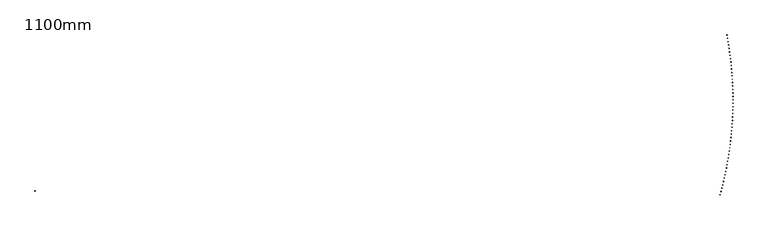
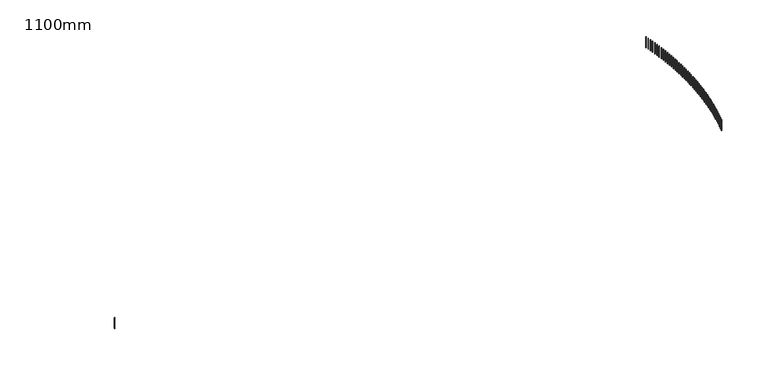
"""IFC4 building model written with IfcOpenShell, lengths in millimetres: railing geometry, 1100mm."""

from ifc_helpers import new_model, si_unit, frame, origin, place, context, project, spatial, polyline, outline, extrude, source, transform, mapped, element, save


def railing_1100mm_6d3d5943(model_context):
    return source(origin(), model_context, "Body", "SweptSolid", [
        extrude(outline(polyline([(18239.412749, -61716.1187681), (18263.5075375, -61722.785189), (18256.8411166, -61746.8799775), (18232.7463281, -61740.2135565), (18239.412749, -61716.1187681)])), frame((0.0, 0.0, 31000.0), z_axis=(0.0, 0.0, 1.0), x_axis=(1.0, 0.0, 0.0)), (0.0, 0.0, 1.0), 1050.0),
        extrude(outline(polyline([(18311.3112025, -61450.8104325), (18335.4693817, -61457.2433461), (18329.0364681, -61481.4015253), (18304.8782889, -61474.9686117), (18311.3112025, -61450.8104325)])), frame((0.0, 0.0, 31000.0), z_axis=(0.0, 0.0, 1.0), x_axis=(1.0, 0.0, 0.0)), (0.0, 0.0, 1.0), 1050.0),
        extrude(outline(polyline([(18380.6385712, -61184.8186723), (18404.8578782, -61191.017476), (18398.6590745, -61215.236783), (18374.4397675, -61209.0379793), (18380.6385712, -61184.8186723)])), frame((0.0, 0.0, 31000.0), z_axis=(0.0, 0.0, 1.0), x_axis=(1.0, 0.0, 0.0)), (0.0, 0.0, 1.0), 1050.0),
        extrude(outline(polyline([(18447.388361, -60918.168403), (18471.6665272, -60924.1325162), (18465.7024141, -60948.4106824), (18441.4242479, -60942.4465693), (18447.388361, -60918.168403)])), frame((0.0, 0.0, 31000.0), z_axis=(0.0, 0.0, 1.0), x_axis=(1.0, 0.0, 0.0)), (0.0, 0.0, 1.0), 1050.0),
        extrude(outline(polyline([(18511.5543196, -60650.884602), (18535.8890708, -60656.6134659), (18530.1602069, -60680.9482172), (18505.8254557, -60675.2193533), (18511.5543196, -60650.884602)])), frame((0.0, 0.0, 31000.0), z_axis=(0.0, 0.0, 1.0), x_axis=(1.0, 0.0, 0.0)), (0.0, 0.0, 1.0), 1050.0),
        extrude(outline(polyline([(18573.1304364, -60382.9923058), (18597.5194933, -60388.4853838), (18592.0264152, -60412.8744407), (18567.6373584, -60407.3813626), (18573.1304364, -60382.9923058)])), frame((0.0, 0.0, 31000.0), z_axis=(0.0, 0.0, 1.0), x_axis=(1.0, 0.0, 0.0)), (0.0, 0.0, 1.0), 1050.0),
        extrude(outline(polyline([(18632.1109437, -60114.516608), (18656.5520216, -60119.7733857), (18651.2952439, -60144.2144636), (18626.854166, -60138.9576859), (18632.1109437, -60114.516608)])), frame((0.0, 0.0, 31000.0), z_axis=(0.0, 0.0, 1.0), x_axis=(1.0, 0.0, 0.0)), (0.0, 0.0, 1.0), 1050.0),
        extrude(outline(polyline([(18688.4903166, -59845.4826569), (18712.9811262, -59850.5026418), (18707.9611413, -59874.9934513), (18683.4703318, -59869.9734664), (18688.4903166, -59845.4826569)])), frame((0.0, 0.0, 31000.0), z_axis=(0.0, 0.0, 1.0), x_axis=(1.0, 0.0, 0.0)), (0.0, 0.0, 1.0), 1050.0),
        extrude(outline(polyline([(18742.2632741, -59575.915653), (18766.8015213, -59580.6983749), (18762.0187994, -59605.236622), (18737.4805523, -59600.4539002), (18742.2632741, -59575.915653)])), frame((0.0, 0.0, 31000.0), z_axis=(0.0, 0.0, 1.0), x_axis=(1.0, 0.0, 0.0)), (0.0, 0.0, 1.0), 1050.0),
        extrude(outline(polyline([(18793.4247793, -59305.8408469), (18818.0081655, -59310.3858577), (18813.4631547, -59334.9692439), (18788.8797685, -59330.4242331), (18793.4247793, -59305.8408469)])), frame((0.0, 0.0, 31000.0), z_axis=(0.0, 0.0, 1.0), x_axis=(1.0, 0.0, 0.0)), (0.0, 0.0, 1.0), 1050.0),
        extrude(outline(polyline([(18841.9700398, -59035.2835364), (18866.5962623, -59039.5904105), (18862.2893882, -59064.216633), (18837.6631657, -59059.909759), (18841.9700398, -59035.2835364)])), frame((0.0, 0.0, 31000.0), z_axis=(0.0, 0.0, 1.0), x_axis=(1.0, 0.0, 0.0)), (0.0, 0.0, 1.0), 1050.0),
        extrude(outline(polyline([(18887.8945083, -58764.269065), (18912.5612604, -58768.3373989), (18908.4929265, -58793.004151), (18883.8261744, -58788.9358171), (18887.8945083, -58764.269065)])), frame((0.0, 0.0, 31000.0), z_axis=(0.0, 0.0, 1.0), x_axis=(1.0, 0.0, 0.0)), (0.0, 0.0, 1.0), 1050.0),
        extrude(outline(polyline([(18931.1938832, -58492.8228186), (18955.8988543, -58496.6522313), (18952.0694417, -58521.3572024), (18927.3644706, -58517.5277898), (18931.1938832, -58492.8228186)])), frame((0.0, 0.0, 31000.0), z_axis=(0.0, 0.0, 1.0), x_axis=(1.0, 0.0, 0.0)), (0.0, 0.0, 1.0), 1050.0),
        extrude(outline(polyline([(18971.8641085, -58220.9702238), (18996.6049845, -58224.5603565), (18993.0148518, -58249.3012325), (18968.2739758, -58245.7110998), (18971.8641085, -58220.9702238)])), frame((0.0, 0.0, 31000.0), z_axis=(0.0, 0.0, 1.0), x_axis=(1.0, 0.0, 0.0)), (0.0, 0.0, 1.0), 1050.0),
        extrude(outline(polyline([(19009.9013746, -57948.7367451), (19034.675838, -57952.0872615), (19031.3253216, -57976.861725), (19006.5508581, -57973.5112086), (19009.9013746, -57948.7367451)])), frame((0.0, 0.0, 31000.0), z_axis=(0.0, 0.0, 1.0), x_axis=(1.0, 0.0, 0.0)), (0.0, 0.0, 1.0), 1050.0),
        extrude(outline(polyline([(19045.3021185, -57676.1478828), (19070.1078487, -57679.2584691), (19066.9972624, -57704.0641993), (19042.1915322, -57700.953613), (19045.3021185, -57676.1478828)])), frame((0.0, 0.0, 31000.0), z_axis=(0.0, 0.0, 1.0), x_axis=(1.0, 0.0, 0.0)), (0.0, 0.0, 1.0), 1050.0),
        extrude(outline(polyline([(19078.0630243, -57403.2291703), (19102.8976977, -57406.0995352), (19100.0273329, -57430.9342086), (19075.1926595, -57428.0638438), (19078.0630243, -57403.2291703)])), frame((0.0, 0.0, 31000.0), z_axis=(0.0, 0.0, 1.0), x_axis=(1.0, 0.0, 0.0)), (0.0, 0.0, 1.0), 1050.0),
        extrude(outline(polyline([(19108.1810232, -57130.0061723), (19133.0423136, -57132.6360468), (19130.4124391, -57157.4973372), (19105.5511487, -57154.8674627), (19108.1810232, -57130.0061723)])), frame((0.0, 0.0, 31000.0), z_axis=(0.0, 0.0, 1.0), x_axis=(1.0, 0.0, 0.0)), (0.0, 0.0, 1.0), 1050.0),
        extrude(outline(polyline([(19135.6532941, -56856.5044815), (19160.5388726, -56858.8936193), (19158.1497348, -56883.7791979), (19133.2641562, -56881.39006), (19135.6532941, -56856.5044815)])), frame((0.0, 0.0, 31000.0), z_axis=(0.0, 0.0, 1.0), x_axis=(1.0, 0.0, 0.0)), (0.0, 0.0, 1.0), 1050.0),
        extrude(outline(polyline([(19160.4772635, -56582.749717), (19185.3847992, -56584.8978943), (19183.2366219, -56609.80543), (19158.3290862, -56607.6572527), (19160.4772635, -56582.749717)])), frame((0.0, 0.0, 31000.0), z_axis=(0.0, 0.0, 1.0), x_axis=(1.0, 0.0, 0.0)), (0.0, 0.0, 1.0), 1050.0),
        extrude(outline(polyline([(19182.6506063, -56308.7675216), (19207.577766, -56310.6745372), (19205.6707504, -56335.6016969), (19180.7435907, -56333.6946813), (19182.6506063, -56308.7675216)])), frame((0.0, 0.0, 31000.0), z_axis=(0.0, 0.0, 1.0), x_axis=(1.0, 0.0, 0.0)), (0.0, 0.0, 1.0), 1050.0),
        extrude(outline(polyline([(19202.1712455, -56034.5835593), (19227.1156943, -56036.2492346), (19225.4500189, -56061.1936834), (19200.5055701, -56059.5280081), (19202.1712455, -56034.5835593)])), frame((0.0, 0.0, 31000.0), z_axis=(0.0, 0.0, 1.0), x_axis=(1.0, 0.0, 0.0)), (0.0, 0.0, 1.0), 1050.0),
        extrude(outline(polyline([(19219.0373524, -55760.223513), (19243.9967538, -55761.647692), (19242.5725748, -55786.6070933), (19217.6131735, -55785.1829143), (19219.0373524, -55760.223513)])), frame((0.0, 0.0, 31000.0), z_axis=(0.0, 0.0, 1.0), x_axis=(1.0, 0.0, 0.0)), (0.0, 0.0, 1.0), 1050.0),
        extrude(outline(polyline([(19233.2473474, -55485.7130823), (19258.2193633, -55486.8956315), (19257.036814, -55511.8676474), (19232.0647982, -55510.6850982), (19233.2473474, -55485.7130823)])), frame((0.0, 0.0, 31000.0), z_axis=(0.0, 0.0, 1.0), x_axis=(1.0, 0.0, 0.0)), (0.0, 0.0, 1.0), 1050.0),
        extrude(outline(polyline([(19244.7998993, -55211.0779806), (19269.7821906, -55212.0187893), (19268.8413819, -55237.0010806), (19243.8590906, -55236.0602719), (19244.7998993, -55211.0779806)])), frame((0.0, 0.0, 31000.0), z_axis=(0.0, 0.0, 1.0), x_axis=(1.0, 0.0, 0.0)), (0.0, 0.0, 1.0), 1050.0),
        extrude(outline(polyline([(19253.693926, -54936.3439331), (19278.6841526, -54937.0429132), (19277.9851725, -54962.0331398), (19252.9949459, -54961.3341598), (19253.693926, -54936.3439331)])), frame((0.0, 0.0, 31000.0), z_axis=(0.0, 0.0, 1.0), x_axis=(1.0, 0.0, 0.0)), (0.0, 0.0, 1.0), 1050.0),
        extrude(outline(polyline([(19259.9285943, -54661.5366744), (19284.9244154, -54661.9937604), (19284.4673295, -54686.9895815), (19259.4715084, -54686.5324955), (19259.9285943, -54661.5366744)])), frame((0.0, 0.0, 31000.0), z_axis=(0.0, 0.0, 1.0), x_axis=(1.0, 0.0, 0.0)), (0.0, 0.0, 1.0), 1050.0),
        extrude(outline(polyline([(19263.5033203, -54386.6819458), (19288.5023945, -54386.8970948), (19288.2872455, -54411.896169), (19263.2881713, -54411.68102), (19263.5033203, -54386.6819458)])), frame((0.0, 0.0, 31000.0), z_axis=(0.0, 0.0, 1.0), x_axis=(1.0, 0.0, 0.0)), (0.0, 0.0, 1.0), 1050.0),
        extrude(outline(polyline([(19264.4177692, -54111.8054929), (19289.4177548, -54111.7786848), (19289.4445629, -54136.7786705), (19264.4445773, -54136.8054785), (19264.4177692, -54111.8054929)])), frame((0.0, 0.0, 31000.0), z_axis=(0.0, 0.0, 1.0), x_axis=(1.0, 0.0, 0.0)), (0.0, 0.0, 1.0), 1050.0),
        extrude(outline(polyline([(19262.6718552, -53836.9330637), (19287.6704105, -53836.6643011), (19287.9391732, -53861.6628564), (19262.9406179, -53861.931619), (19262.6718552, -53836.9330637)])), frame((0.0, 0.0, 31000.0), z_axis=(0.0, 0.0, 1.0), x_axis=(1.0, 0.0, 0.0)), (0.0, 0.0, 1.0), 1050.0),
        extrude(outline(polyline([(19258.265742, -53562.0904057), (19283.2605253, -53561.5797136), (19283.7712174, -53586.5744969), (19258.776434, -53587.085189), (19258.265742, -53562.0904057)])), frame((0.0, 0.0, 31000.0), z_axis=(0.0, 0.0, 1.0), x_axis=(1.0, 0.0, 0.0)), (0.0, 0.0, 1.0), 1050.0),
        extrude(outline(polyline([(19251.1998422, -53287.3032633), (19276.1885122, -53286.5506897), (19276.9410859, -53311.5393598), (19251.9524158, -53312.2919334), (19251.1998422, -53287.3032633)])), frame((0.0, 0.0, 31000.0), z_axis=(0.0, 0.0, 1.0), x_axis=(1.0, 0.0, 0.0)), (0.0, 0.0, 1.0), 1050.0),
        extrude(outline(polyline([(19241.4748176, -53012.5973762), (19266.4550338, -53011.6029914), (19267.4494185, -53036.5832076), (19242.4692024, -53037.5775923), (19241.4748176, -53012.5973762)])), frame((0.0, 0.0, 31000.0), z_axis=(0.0, 0.0, 1.0), x_axis=(1.0, 0.0, 0.0)), (0.0, 0.0, 1.0), 1050.0),
        extrude(outline(polyline([(19229.0915794, -52737.998476), (19254.0610017, -52736.7623734), (19255.2971043, -52761.7317957), (19230.327682, -52762.9678983), (19229.0915794, -52737.998476)])), frame((0.0, 0.0, 31000.0), z_axis=(0.0, 0.0, 1.0), x_axis=(1.0, 0.0, 0.0)), (0.0, 0.0, 1.0), 1050.0),
        extrude(outline(polyline([(19214.0512873, -52463.5322848), (19239.0075769, -52462.05458), (19240.4852817, -52487.0108695), (19215.5289921, -52488.4885743), (19214.0512873, -52463.5322848)])), frame((0.0, 0.0, 31000.0), z_axis=(0.0, 0.0, 1.0), x_axis=(1.0, 0.0, 0.0)), (0.0, 0.0, 1.0), 1050.0),
        extrude(outline(polyline([(19196.3553503, -52189.2245117), (19221.2961694, -52187.5053432), (19223.0153379, -52212.4461624), (19198.0745188, -52214.1653309), (19196.3553503, -52189.2245117)])), frame((0.0, 0.0, 31000.0), z_axis=(0.0, 0.0, 1.0), x_axis=(1.0, 0.0, 0.0)), (0.0, 0.0, 1.0), 1050.0),
        extrude(outline(polyline([(19176.0054258, -51915.1008515), (19200.9284384, -51913.1403803), (19202.8889096, -51938.0633928), (19177.965897, -51940.023864), (19176.0054258, -51915.1008515)])), frame((0.0, 0.0, 31000.0), z_axis=(0.0, 0.0, 1.0), x_axis=(1.0, 0.0, 0.0)), (0.0, 0.0, 1.0), 1050.0),
        extrude(outline(polyline([(19153.0034202, -51641.1869813), (19177.9062916, -51638.985391), (19180.1078818, -51663.8882624), (19155.2050105, -51666.0898526), (19153.0034202, -51641.1869813)])), frame((0.0, 0.0, 31000.0), z_axis=(0.0, 0.0, 1.0), x_axis=(1.0, 0.0, 0.0)), (0.0, 0.0, 1.0), 1050.0),
        extrude(outline(polyline([(19127.351488, -51367.5085588), (19152.2318855, -51365.0660558), (19154.6743886, -51389.9464532), (19129.7939911, -51392.3889563), (19127.351488, -51367.5085588)])), frame((0.0, 0.0, 31000.0), z_axis=(0.0, 0.0, 1.0), x_axis=(1.0, 0.0, 0.0)), (0.0, 0.0, 1.0), 1050.0),
        extrude(outline(polyline([(19099.052032, -51094.0912197), (19123.9076251, -51091.4080326), (19126.5908122, -51116.2636257), (19101.7352192, -51118.9468128), (19099.052032, -51094.0912197)])), frame((0.0, 0.0, 31000.0), z_axis=(0.0, 0.0, 1.0), x_axis=(1.0, 0.0, 0.0)), (0.0, 0.0, 1.0), 1050.0),
        extrude(outline(polyline([(19068.1077031, -50820.9605751), (19092.9361636, -50818.0369553), (19095.8597834, -50842.8654157), (19071.031323, -50845.7890355), (19068.1077031, -50820.9605751)])), frame((0.0, 0.0, 31000.0), z_axis=(0.0, 0.0, 1.0), x_axis=(1.0, 0.0, 0.0)), (0.0, 0.0, 1.0), 1050.0),
        extrude(outline(polyline([(19034.5213999, -50548.1422092), (19059.320402, -50544.9784305), (19062.4841806, -50569.7774326), (19037.6851785, -50572.9412113), (19034.5213999, -50548.1422092)])), frame((0.0, 0.0, 31000.0), z_axis=(0.0, 0.0, 1.0), x_axis=(1.0, 0.0, 0.0)), (0.0, 0.0, 1.0), 1050.0),
        extrude(outline(polyline([(18998.2962683, -50275.6616771), (19023.0634891, -50272.2580359), (19026.4671303, -50297.0252567), (19001.6999094, -50300.4288979), (18998.2962683, -50275.6616771)])), frame((0.0, 0.0, 31000.0), z_axis=(0.0, 0.0, 1.0), x_axis=(1.0, 0.0, 0.0)), (0.0, 0.0, 1.0), 1050.0),
        extrude(outline(polyline([(18959.4357016, -50003.5445021), (18984.1688212, -49999.9013173), (18987.812006, -50024.6344369), (18963.0788864, -50028.2776217), (18959.4357016, -50003.5445021)])), frame((0.0, 0.0, 31000.0), z_axis=(0.0, 0.0, 1.0), x_axis=(1.0, 0.0, 0.0)), (0.0, 0.0, 1.0), 1050.0),
        extrude(outline(polyline([(18917.9433399, -49731.8161737), (18942.6400415, -49727.9337865), (18946.5224288, -49752.6304881), (18921.8257272, -49756.5128753), (18917.9433399, -49731.8161737)])), frame((0.0, 0.0, 31000.0), z_axis=(0.0, 0.0, 1.0), x_axis=(1.0, 0.0, 0.0)), (0.0, 0.0, 1.0), 1050.0),
        extrude(outline(polyline([(18873.8230699, -49460.5021448), (18898.4810401, -49456.3809188), (18902.6022661, -49481.038889), (18877.9442958, -49485.160115), (18873.8230699, -49460.5021448)])), frame((0.0, 0.0, 31000.0), z_axis=(0.0, 0.0, 1.0), x_axis=(1.0, 0.0, 0.0)), (0.0, 0.0, 1.0), 1050.0),
        extrude(outline(polyline([(18827.0790242, -49189.6278294), (18851.6959533, -49185.2681507), (18856.055632, -49209.8850799), (18831.4387029, -49214.2447586), (18827.0790242, -49189.6278294)])), frame((0.0, 0.0, 31000.0), z_axis=(0.0, 0.0, 1.0), x_axis=(1.0, 0.0, 0.0)), (0.0, 0.0, 1.0), 1050.0),
        extrude(outline(polyline([(-36591.1817593, -61427.7006449), (-36615.3509807, -61434.0919464), (-36621.7422823, -61409.922725), (-36597.5730609, -61403.5314235), (-36591.1817593, -61427.7006449)])), frame((0.0, 0.0, 31000.0), z_axis=(0.0, 0.0, 1.0), x_axis=(1.0, 0.0, 0.0)), (0.0, 0.0, 1.0), 1050.0),
        extrude(outline(polyline([(18780.0161355, -48931.4994813), (18804.591738, -48926.9125693), (18809.1786501, -48951.4881718), (18784.6030476, -48956.0750838), (18780.0161355, -48931.4994813)])), frame((0.0, 0.0, 31000.0), z_axis=(0.0, 0.0, 1.0), x_axis=(1.0, 0.0, 0.0)), (0.0, 0.0, 1.0), 1050.0),
    ])


if __name__ == "__main__":
    model = new_model("IFC4")
    model_context = context("Model", 3, world=origin())
    ifc_project = project(units=[si_unit("LENGTHUNIT", "METRE", prefix="MILLI")], contexts=[model_context])
    site = spatial("IfcSite", under=ifc_project)
    building = spatial("IfcBuilding", under=site)
    placement = place(None, origin())
    railing_1100mm_shape = railing_1100mm_6d3d5943(model_context)
    element("IfcRailing", 1, ObjectType="1100mm", at=placement, inside=building, context=model_context, shape_type="MappedRepresentation", body=[
        mapped(railing_1100mm_shape, transform((0.0, 0.0, 0.0), x_axis=(1.0, 0.0, 0.0), y_axis=(0.0, 1.0, 0.0), z_axis=(0.0, 0.0, 1.0))),
    ])
    save(model, "model.ifc")
